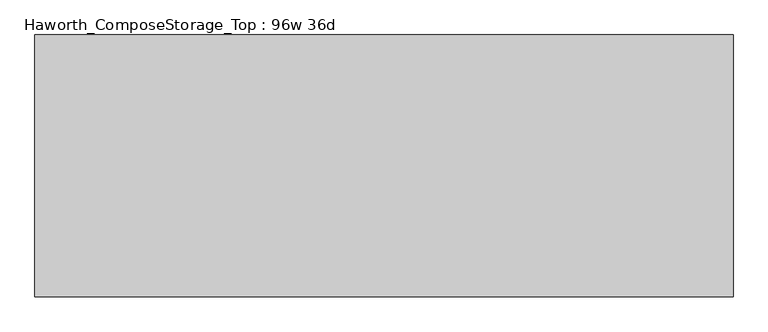
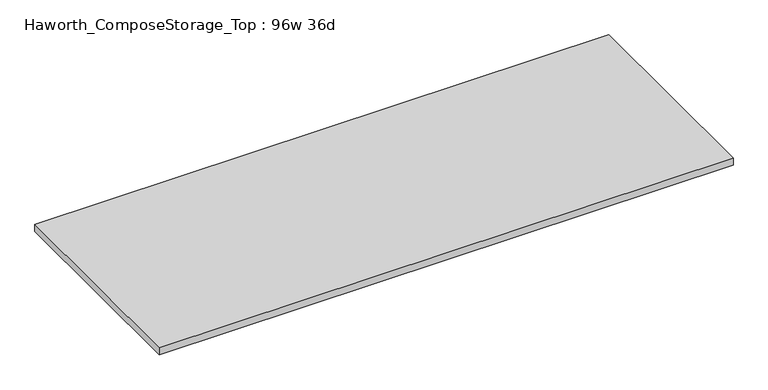
"""IFC4 building model written with IfcOpenShell, lengths in millimetres: furniture geometry, Haworth_ComposeStorage_Top : 96w 36d."""

from ifc_helpers import new_model, si_unit, frame, origin, place, context, project, spatial, polyline, outline, extrude, source, transform, mapped, element, save


def haworth_composestorage_top_96w_36d_6216743f(model_context):
    return source(origin(), model_context, "Body", "SweptSolid", [
        extrude(outline(polyline([(1219.2, 457.2), (1219.2, -457.2), (-1219.2, -457.2), (-1219.2, 457.2), (1219.2, 457.2)])), frame((0.0, 0.0, 706.4375), z_axis=(0.0, 0.0, 1.0), x_axis=(1.0, 0.0, 0.0)), (0.0, 0.0, 1.0), 30.1625),
    ])


if __name__ == "__main__":
    model = new_model("IFC4")
    model_context = context("Model", 3, world=origin())
    ifc_project = project(units=[si_unit("LENGTHUNIT", "METRE", prefix="MILLI")], contexts=[model_context])
    site = spatial("IfcSite", under=ifc_project)
    building = spatial("IfcBuilding", under=site)
    placement = place(None, origin())
    haworth_composestorage_top_96w_36d_shape = haworth_composestorage_top_96w_36d_6216743f(model_context)
    element("IfcFurniture", 1, ObjectType="Haworth_ComposeStorage_Top : 96w 36d", at=placement, inside=building, context=model_context, shape_type="MappedRepresentation", body=[
        mapped(haworth_composestorage_top_96w_36d_shape, transform((0.0, 0.0, 0.0), x_axis=(1.0, 0.0, 0.0), y_axis=(0.0, 1.0, 0.0), z_axis=(0.0, 0.0, 1.0))),
    ])
    save(model, "model.ifc")
